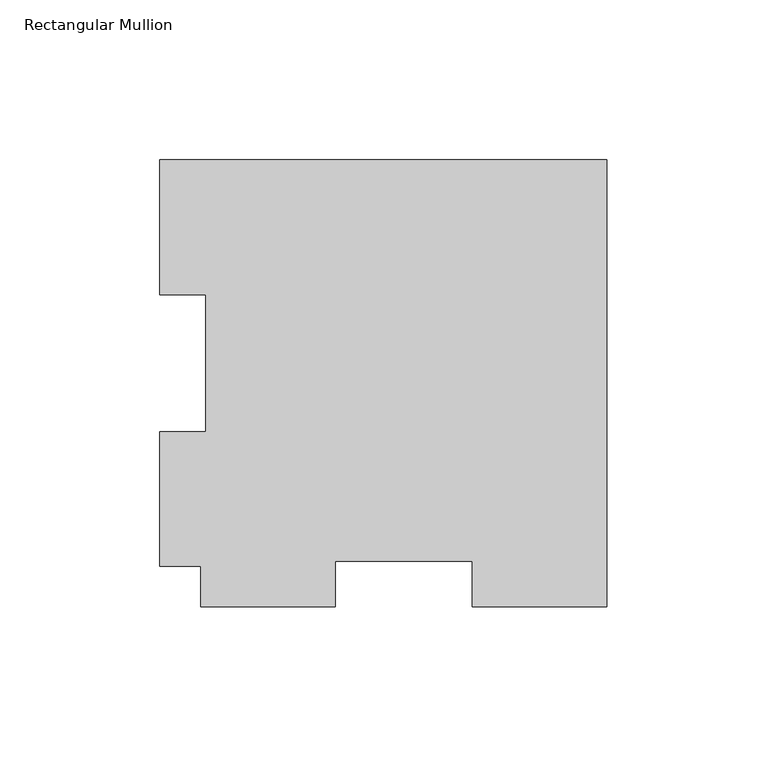
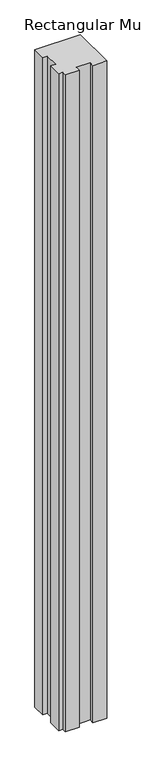
"""IFC4 building model written with IfcOpenShell, lengths in millimetres: member geometry, Rectangular Mullion."""

from ifc_helpers import new_model, si_unit, frame, origin, place, context, project, spatial, polyline, outline, extrude, source, transform, mapped, element, save


def rectangular_mullion_a3435cc1(model_context):
    return source(origin(), model_context, "Body", "SweptSolid", [
        extrude(outline(polyline([(-139.7, 126.7086938), (0.0, 126.7086938), (0.0, -12.9913062), (-42.0751, -12.9913062), (-42.0751, 1.2961938), (-84.9249, 1.2961938), (-84.9249, -12.9913062), (-127.0, -12.9913062), (-127.0, -0.2913062), (-139.7, -0.2913062), (-139.7, 41.7837938), (-125.4125, 41.7837938), (-125.4125, 84.6335937), (-139.7, 84.6335937), (-139.7, 126.7086938)])), frame((0.0, 0.0, -2133.6), z_axis=(0.0, 0.0, 1.0), x_axis=(1.0, 0.0, 0.0)), (0.0, 0.0, 1.0), 2133.6),
    ])


if __name__ == "__main__":
    model = new_model("IFC4")
    model_context = context("Model", 3, world=origin())
    ifc_project = project(units=[si_unit("LENGTHUNIT", "METRE", prefix="MILLI")], contexts=[model_context])
    site = spatial("IfcSite", under=ifc_project)
    building = spatial("IfcBuilding", under=site)
    placement = place(None, origin())
    rectangular_mullion_shape = rectangular_mullion_a3435cc1(model_context)
    element("IfcMember", 1, ObjectType="Rectangular Mullion", at=placement, inside=building, context=model_context, shape_type="MappedRepresentation", body=[
        mapped(rectangular_mullion_shape, transform((0.0, 0.0, 0.0), x_axis=(1.0, 0.0, 0.0), y_axis=(0.0, 1.0, 0.0), z_axis=(0.0, 0.0, 1.0))),
    ])
    save(model, "model.ifc")
